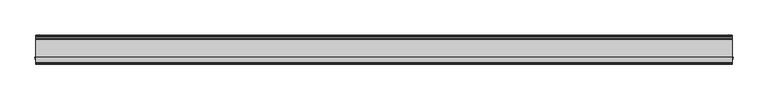
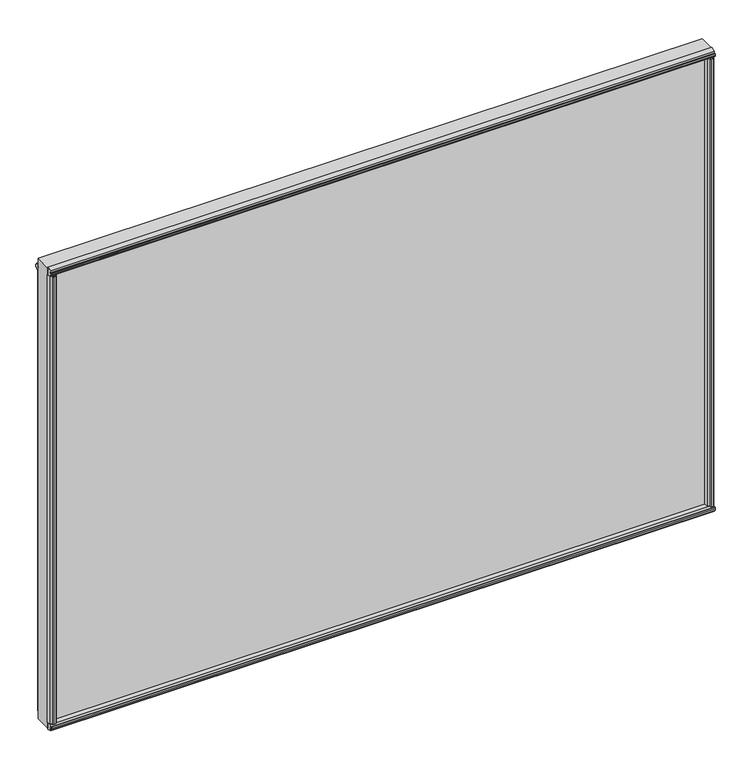
"""IFC4 building model written with IfcOpenShell, lengths in millimetres: plate geometry."""

import ifcopenshell
import ifcopenshell.guid

model = None  # the IFC model being written
_history = None  # IfcOwnerHistory: only IFC2X3 demands one
_inside = {}  # id of a spatial element -> (the spatial element, [elements in it])
_under = {}  # id of a project, library or spatial element -> (it, [spatial elements below it])
_declared = {}  # id of a project -> (the project, [libraries it declares])
_typed = {}  # id of a type object -> (the type object, [elements of that type])
_made_of = {}  # id of a material, layer set ... -> (it, [elements and type objects made of it])


def new_model(schema):
    """Start an empty IFC model of exactly this schema.

    Asked for "IFC4X3", IfcOpenShell would pick the latest addendum, in which some entities
    have other attributes; the version numbers below select the first issue.
    IFC2X3 requires an IfcOwnerHistory on every rooted entity: one is made here for all.
    """
    global model, _history
    if schema == "IFC4X3":
        model = ifcopenshell.file(schema_version=(4, 3, 0, 0))
    else:
        model = ifcopenshell.file(schema=schema)
    _inside.clear()
    _under.clear()
    _declared.clear()
    _typed.clear()
    _made_of.clear()
    _history = None
    if model.schema == "IFC2X3":
        org = make("IfcOrganization", Name="unknown")
        user = make(
            "IfcPersonAndOrganization",
            ThePerson=make("IfcPerson", FamilyName="unknown"),
            TheOrganization=org,
        )
        app = make(
            "IfcApplication",
            ApplicationDeveloper=org,
            Version="unknown",
            ApplicationFullName="unknown",
            ApplicationIdentifier="unknown",
        )
        _history = make(
            "IfcOwnerHistory",
            OwningUser=user,
            OwningApplication=app,
            ChangeAction="ADDED",
            CreationDate=0,
        )
    return model


def make(cls, **values):
    """One entity of the class cls with the attributes given. An attribute that is None is left unset."""
    return model.create_entity(
        cls, **{name: value for name, value in values.items() if value is not None}
    )


def rooted(cls, **values):
    """An entity with a GlobalId (a new one), such as an element, a storey or a relation."""
    return make(cls, GlobalId=ifcopenshell.guid.new(), OwnerHistory=_history, **values)


def si_unit(unit_type, name, prefix=None):
    """IfcSIUnit, for example si_unit("LENGTHUNIT", "METRE", prefix="MILLI")."""
    return make("IfcSIUnit", UnitType=unit_type, Prefix=prefix, Name=name)


def assignment(units):
    """IfcUnitAssignment: the units of a project."""
    return None if units is None else make("IfcUnitAssignment", Units=units)


def point(xyz):
    """IfcCartesianPoint."""
    return None if xyz is None else make("IfcCartesianPoint", Coordinates=xyz)


def direction(xyz):
    """IfcDirection."""
    return None if xyz is None else make("IfcDirection", DirectionRatios=xyz)


def frame(location, z_axis=None, x_axis=None):
    """IfcAxis2Placement3D, a coordinate frame: its origin and axes. An axis left out is left unset."""
    return make(
        "IfcAxis2Placement3D",
        Location=point(location),
        Axis=direction(z_axis),
        RefDirection=direction(x_axis),
    )


def origin():
    """The frame at (0, 0, 0) with its axes left unset."""
    return frame((0.0, 0.0, 0.0))


def origin_with_axes():
    """The frame at (0, 0, 0) with the z axis (0, 0, 1) and the x axis (1, 0, 0) written out."""
    return frame((0.0, 0.0, 0.0), z_axis=(0.0, 0.0, 1.0), x_axis=(1.0, 0.0, 0.0))


def place(relative_to, where):
    """IfcLocalPlacement: puts the frame where relative to a parent placement (None: the world)."""
    return make(
        "IfcLocalPlacement", PlacementRelTo=relative_to, RelativePlacement=where
    )


def context(
    kind, dimensions, precision=None, world=None, true_north=None, identifier=None
):
    """IfcGeometricRepresentationContext, for example the 3D "Model" context."""
    return make(
        "IfcGeometricRepresentationContext",
        ContextIdentifier=identifier,
        ContextType=kind,
        CoordinateSpaceDimension=dimensions,
        Precision=precision,
        WorldCoordinateSystem=world,
        TrueNorth=true_north,
    )


def project(units=None, contexts=None):
    """IfcProject with its units and contexts."""
    return rooted(
        "IfcProject",
        Name="project",
        RepresentationContexts=contexts,
        UnitsInContext=assignment(units),
    )


def spatial(cls, under=None, at=None, **own):
    """A site, building, storey or space (cls), placed at a placement, below another one or the project."""
    s = rooted(cls, ObjectPlacement=at, **own)
    if under is not None:
        _under.setdefault(under.id(), (under, []))[1].append(s)
    return s


def polyline(points):
    """IfcPolyline through the points."""
    return make("IfcPolyline", Points=[point(p) for p in points])


def outline(outer, holes=None, kind="AREA"):
    """IfcArbitraryClosedProfileDef: a profile drawn as a closed curve; with holes, ...WithVoids."""
    if holes is None:
        return make("IfcArbitraryClosedProfileDef", ProfileType=kind, OuterCurve=outer)
    return make(
        "IfcArbitraryProfileDefWithVoids",
        ProfileType=kind,
        OuterCurve=outer,
        InnerCurves=holes,
    )


def extrude(swept, where, along, depth):
    """IfcExtrudedAreaSolid: the profile swept, set in the frame where, extruded along a direction by depth."""
    return make(
        "IfcExtrudedAreaSolid",
        SweptArea=swept,
        Position=where,
        ExtrudedDirection=direction(along),
        Depth=depth,
    )


def shape(context_of_items, identifier, shape_type, items):
    """IfcShapeRepresentation: the items that make up one representation, for example the "Body"."""
    return make(
        "IfcShapeRepresentation",
        ContextOfItems=context_of_items,
        RepresentationIdentifier=identifier,
        RepresentationType=shape_type,
        Items=items,
    )


def source(mapping_origin, context_of_items, identifier, shape_type, items):
    """IfcRepresentationMap: a shape defined once, which mapped items show again and again."""
    return make(
        "IfcRepresentationMap",
        MappingOrigin=mapping_origin,
        MappedRepresentation=shape(context_of_items, identifier, shape_type, items),
    )


def transform(
    local_origin,
    x_axis=None,
    y_axis=None,
    z_axis=None,
    scale=None,
    scale2=None,
    scale3=None,
    uniform=True,
):
    """IfcCartesianTransformationOperator3D, or its non-uniform kind. x_axis, y_axis, z_axis: its Axis1, 2, 3."""
    if uniform:
        return make(
            "IfcCartesianTransformationOperator3D",
            Axis1=direction(x_axis),
            Axis2=direction(y_axis),
            LocalOrigin=point(local_origin),
            Scale=scale,
            Axis3=direction(z_axis),
        )
    return make(
        "IfcCartesianTransformationOperator3DnonUniform",
        Axis1=direction(x_axis),
        Axis2=direction(y_axis),
        LocalOrigin=point(local_origin),
        Scale=scale,
        Axis3=direction(z_axis),
        Scale2=scale2,
        Scale3=scale3,
    )


def mapped(mapping_source, mapping_target):
    """IfcMappedItem: shows the shape of a source again, moved by a transform."""
    return make(
        "IfcMappedItem", MappingSource=mapping_source, MappingTarget=mapping_target
    )


def made_of(thing, what):
    """Note that an element or type object is made of a material, layer set ...; save() writes the relation."""
    if what is not None:
        _made_of.setdefault(what.id(), (what, []))[1].append(thing)
    return thing


def element(
    cls,
    number,
    at=None,
    inside=None,
    cuts=None,
    type_object=None,
    material=None,
    context=None,
    identifier="Body",
    shape_type=None,
    held_by="IfcProductDefinitionShape",
    body=None,
    shapes=None,
    **own,
):
    """One element of the class cls, such as IfcWall. Its Tag is "e" and its number.

    at: its placement. inside: the storey or other place that contains it. cuts: it is an
    opening in that element (IfcRelVoidsElement). A single representation is given by context,
    identifier, shape_type and body (its items); several are given by shapes. held_by: the class
    of the entity that holds the representations. save() writes the other relations.
    """
    e = rooted(cls, Tag="e%d" % number, ObjectPlacement=at, **own)
    if body is not None:
        shapes = [shape(context, identifier, shape_type, body)]
    if shapes is not None:
        e.Representation = make(held_by, Representations=shapes)
    if inside is not None:
        _inside.setdefault(inside.id(), (inside, []))[1].append(e)
    if cuts is not None:
        rooted(
            "IfcRelVoidsElement", RelatingBuildingElement=cuts, RelatedOpeningElement=e
        )
    if type_object is not None:
        _typed.setdefault(type_object.id(), (type_object, []))[1].append(e)
    return made_of(e, material)


def aggregate(whole, parts):
    """IfcRelAggregates: a whole, such as a stair, and the parts it consists of."""
    return rooted("IfcRelAggregates", RelatingObject=whole, RelatedObjects=parts)


def save(model, path):
    """Write the relations noted so far, then the file.

    IfcRelAggregates (storeys below a building ...), IfcRelContainedInSpatialStructure (elements
    in a storey), IfcRelDefinesByType, IfcRelAssociatesMaterial and IfcRelDeclares: one each for
    every whole, place, type object, material and project.
    """
    for whole, parts in _under.values():
        aggregate(whole, parts)
    for where, things in _inside.values():
        rooted(
            "IfcRelContainedInSpatialStructure",
            RelatedElements=things,
            RelatingStructure=where,
        )
    for kind, things in _typed.values():
        rooted("IfcRelDefinesByType", RelatedObjects=things, RelatingType=kind)
    for what, things in _made_of.values():
        rooted("IfcRelAssociatesMaterial", RelatedObjects=things, RelatingMaterial=what)
    for by, libraries in _declared.values():
        rooted("IfcRelDeclares", RelatingContext=by, RelatedDefinitions=libraries)
    model.write(path)


def plate_8581d6c9(model_context):
    return source(origin(), model_context, "Body", "SweptSolid", [
        extrude(outline(polyline([(585.7748, 4.7498), (589.28, 4.7498), (589.7626, 7.4676), (588.2132, 7.2136), (588.2132, 8.0264), (590.55, 8.4328), (592.8868, 8.0264), (592.8868, 7.2136), (591.3374, 7.4676), (591.82, 4.7498), (595.3252, 4.7498), (595.8529556, 2.498043), (595.3252, 0.0), (585.7748, 0.0), (585.2470444, 2.498043), (585.7748, 4.7498)])), frame((0.0, 0.0, 12.303125), z_axis=(0.0, 0.0, 1.0), x_axis=(1.0, 0.0, 0.0)), (0.0, 0.0, 1.0), 834.1363439),
        extrude(outline(polyline([(-591.82, 4.7498), (-591.3374, 7.4676), (-592.8868, 7.2136), (-592.8868, 8.0264), (-590.55, 8.4328), (-588.2132, 8.0264), (-588.2132, 7.2136), (-589.7626, 7.4676), (-589.28, 4.7498), (-585.7748, 4.7498), (-585.2470444, 2.498043), (-585.7748, 0.0), (-595.3252, 0.0), (-595.8529556, 2.498043), (-595.3252, 4.7498), (-591.82, 4.7498)])), frame((0.0, 0.0, 12.303125), z_axis=(0.0, 0.0, 1.0), x_axis=(1.0, 0.0, 0.0)), (0.0, 0.0, 1.0), 834.1363439),
        extrude(outline(polyline([(-590.5534571, -39.5931295), (-589.0049754, -39.3335897), (-589.0020684, -40.1463845), (-591.3374, -40.5611395), (-593.6756386, -40.1630997), (-593.6756386, -39.3503049), (-592.128247, -39.5987618), (-592.6205727, -36.8826581), (-596.9159219, -36.8826581), (-598.1381967, -30.1244), (-584.6198239, -30.1244), (-585.7880079, -36.8582683), (-590.0779109, -36.8582683), (-590.5534571, -39.5931295)])), frame((0.0, 0.0, 12.303125), z_axis=(0.0, 0.0, 1.0), x_axis=(1.0, 0.0, 0.0)), (0.0, 0.0, 1.0), 850.6066564),
        extrude(outline(polyline([(592.128247, -39.5987618), (593.6742, -39.3510013), (593.6742, -40.1633446), (591.3374, -40.5611395), (589.0006, -40.1461237), (589.0006, -39.3328563), (590.5534571, -39.5931295), (590.0805804, -36.8736209), (585.7880079, -36.8736209), (584.6198239, -30.1244), (598.1381967, -30.1244), (596.9159134, -36.8827052), (592.6205642, -36.8827052), (592.128247, -39.5987618)])), frame((0.0, 0.0, 12.303125), z_axis=(0.0, 0.0, 1.0), x_axis=(1.0, 0.0, 0.0)), (0.0, 0.0, 1.0), 850.6066564),
        extrude(outline(polyline([(-30.1244, 12.8880688), (-30.1244, -1.5575618), (-38.3876619, 0.3386981), (-37.7963354, 4.590374), (-40.4217442, 5.4427636), (-40.3836033, 3.8731454), (-41.1886544, 3.9851125), (-41.269274, 6.3556179), (-40.5448426, 8.6141559), (-39.7397916, 8.5021887), (-40.2048076, 7.00255), (-37.4464371, 7.1061584), (-36.8551106, 11.3578343), (-30.1244, 12.8880688)])), frame((-596.9, 0.0, 0.0), z_axis=(1.0, 0.0, 0.0), x_axis=(0.0, 1.0, 0.0)), (0.0, 0.0, 1.0), 1193.8),
        extrude(outline(polyline([(-596.9, 0.0), (596.9, 0.0), (596.9, -30.1244), (-596.9, -30.1244), (-596.9, 0.0)])), origin_with_axes(), (0.0, 0.0, 1.0), 875.6097814),
        extrude(outline(polyline([(-41.1923071, 871.6241608), (-40.3836033, 871.736636), (-40.4217442, 870.1670178), (-37.7963354, 871.0194074), (-38.3876619, 875.2710832), (-30.1244, 877.1673432), (-30.1244, 862.7217126), (-36.8551106, 864.2519471), (-37.4489919, 868.5219921), (-40.2048076, 868.6072314), (-39.7397916, 867.1075926), (-40.5448426, 866.9956255), (-41.269274, 869.2541635), (-41.1923071, 871.6241608)])), frame((-596.9, 0.0, 0.0), z_axis=(1.0, 0.0, 0.0), x_axis=(0.0, 1.0, 0.0)), (0.0, 0.0, 1.0), 1193.8),
        extrude(outline(polyline([(7e-07, 863.1963803), (1.2801385, 863.2483231), (1.6431889, 864.120763), (4.013566, 863.9550101), (4.5281084, 863.1921696), (5.2493506, 862.8216887), (4.999789, 859.3253841), (7.0854389, 858.7203963), (6.9875562, 860.2530141), (7.7844071, 860.1961359), (7.9539912, 857.8412859), (7.4516584, 855.5343964), (6.6548075, 855.5912746), (6.9699201, 857.0909614), (4.8189473, 856.79183), (4.5693858, 853.2955254), (3.7550817, 853.0147772), (3.0688701, 852.2997816), (0.8065329, 852.5305062), (0.602008, 853.4328697), (-0.6799641, 853.6702169), (7e-07, 863.1963803)])), frame((-596.9, 0.0, 0.0), z_axis=(1.0, 0.0, 0.0), x_axis=(0.0, 1.0, 0.0)), (0.0, 0.0, 1.0), 1193.8),
    ])


if __name__ == "__main__":
    model = new_model("IFC4")
    model_context = context("Model", 3, world=origin())
    ifc_project = project(units=[si_unit("LENGTHUNIT", "METRE", prefix="MILLI")], contexts=[model_context])
    site = spatial("IfcSite", under=ifc_project)
    building = spatial("IfcBuilding", under=site)
    placement = place(None, origin())
    plate_shape = plate_8581d6c9(model_context)
    element("IfcPlate", 1, at=placement, inside=building, context=model_context, shape_type="MappedRepresentation", body=[
        mapped(plate_shape, transform((0.0, 0.0, 0.0), x_axis=(1.0, 0.0, 0.0), y_axis=(0.0, 1.0, 0.0), z_axis=(0.0, 0.0, 1.0))),
    ])
    save(model, "model.ifc")
